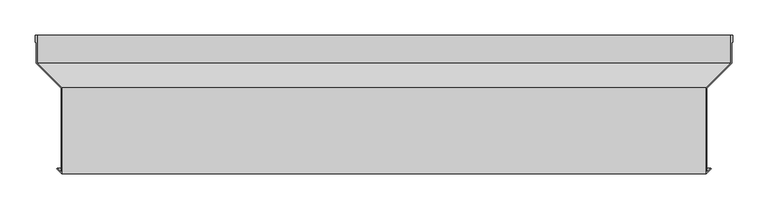
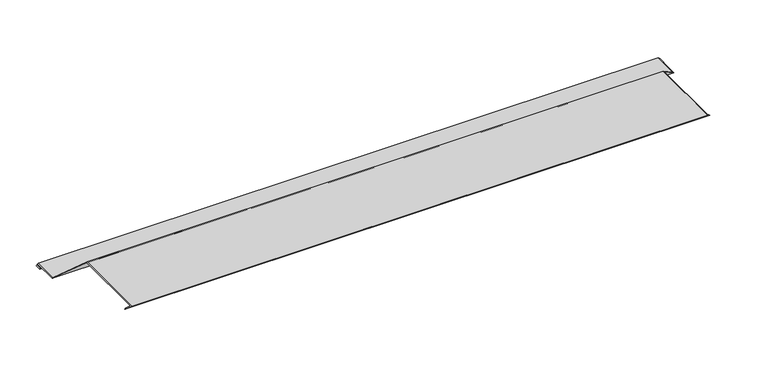
"""IFC4 building model written with IfcOpenShell, lengths in millimetres: proxy geometry."""

from ifc_helpers import new_model, si_unit, origin, place, context, project, spatial, faceted_brep, source, transform, mapped, element, save


def generic_models_5fcd40e8(model_context):
    return source(origin(), model_context, "Body", "Brep", [
        faceted_brep([(5.0, 48.0, 5.0), (2.0, 48.0, 2.0), (2.0, 38.0, 2.0), (3.0, 38.0, 3.0), (3.0, 47.0, 3.0), (4.0, 47.0, 4.0), (4.0, 7.5857864, 4.0), (39.3553391, -27.7695526, 39.3553391), (39.3553391, -147.5857864, 39.3553391), (33.991378, -142.2218254, 33.991378), (33.2842712, -142.9289322, 33.2842712), (40.3553391, -150.0, 40.3553391), (40.3553391, -27.3553391, 40.3553391), (5.0, 8.0, 5.0), (998.0, 48.0, 2.0), (995.0, 48.0, 5.0), (995.0, 8.0, 5.0), (959.6446609, -27.3553391, 40.3553391), (959.6446609, -150.0, 40.3553391), (966.7157288, -142.9289322, 33.2842712), (966.008622, -142.2218254, 33.991378), (960.6446609, -147.5857864, 39.3553391), (960.6446609, -27.7695526, 39.3553391), (996.0, 7.5857864, 4.0), (996.0, 47.0, 4.0), (997.0, 47.0, 3.0), (997.0, 38.0, 3.0), (998.0, 38.0, 2.0)], [[[0, 1, 2, 3, 4, 5, 6, 7, 8, 9, 10, 11, 12, 13]], [[14, 15, 16, 17, 18, 19, 20, 21, 22, 23, 24, 25, 26, 27]], [[1, 0, 15, 14]], [[2, 1, 14, 27]], [[3, 2, 27, 26]], [[4, 3, 26, 25]], [[5, 4, 25, 24]], [[6, 5, 24, 23]], [[7, 6, 23, 22]], [[8, 7, 22, 21]], [[9, 8, 21, 20]], [[10, 9, 20, 19]], [[11, 10, 19, 18]], [[12, 11, 18, 17]], [[13, 12, 17, 16]], [[0, 13, 16, 15]]]),
    ])


if __name__ == "__main__":
    model = new_model("IFC4")
    model_context = context("Model", 3, world=origin())
    ifc_project = project(units=[si_unit("LENGTHUNIT", "METRE", prefix="MILLI")], contexts=[model_context])
    site = spatial("IfcSite", under=ifc_project)
    building = spatial("IfcBuilding", under=site)
    placement = place(None, origin())
    generic_models_shape = generic_models_5fcd40e8(model_context)
    element("IfcBuildingElementProxy", 1, Name="Generic Models", at=placement, inside=building, context=model_context, shape_type="MappedRepresentation", body=[
        mapped(generic_models_shape, transform((0.0, 0.0, 0.0), x_axis=(1.0, 0.0, 0.0), y_axis=(0.0, 1.0, 0.0), z_axis=(0.0, 0.0, 1.0))),
    ])
    save(model, "model.ifc")
